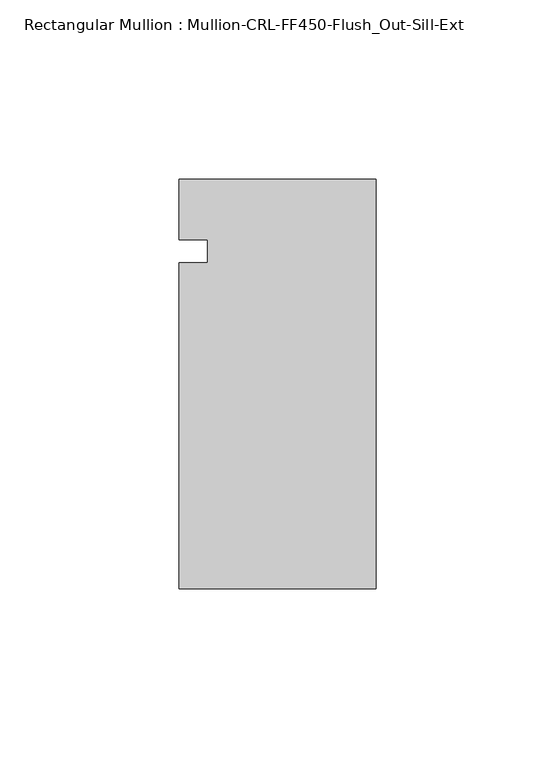
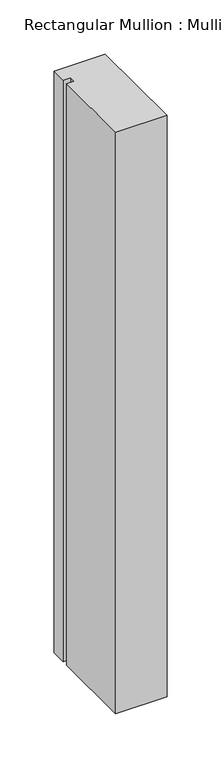
"""IFC4 building model written with IfcOpenShell, lengths in millimetres: member geometry, Rectangular Mullion : Mullion-CRL-FF450-Flush_Out-Sill-Ext."""

from ifc_helpers import new_model, si_unit, frame, origin, place, context, project, spatial, polyline, outline, extrude, source, transform, mapped, element, save


def rectangular_mullion_mullion_crl_ff450_flush_out_sill_ext_ea6e4730(model_context):
    return source(origin(), model_context, "Body", "SweptSolid", [
        extrude(outline(polyline([(-54.9910181, -94.1461601), (-54.9910181, -3.1555912), (-47.0535181, -3.1555912), (-47.0535181, 3.1944088), (-54.9910181, 3.1944088), (-54.9910181, 20.160815), (0.0, 20.160815), (0.0, -94.1461601), (-54.9910181, -94.1461601)])), frame((0.0, 0.0, -657.2249599), z_axis=(0.0, 0.0, 1.0), x_axis=(1.0, 0.0, 0.0)), (0.0, 0.0, 1.0), 657.2249599),
    ])


if __name__ == "__main__":
    model = new_model("IFC4")
    model_context = context("Model", 3, world=origin())
    ifc_project = project(units=[si_unit("LENGTHUNIT", "METRE", prefix="MILLI")], contexts=[model_context])
    site = spatial("IfcSite", under=ifc_project)
    building = spatial("IfcBuilding", under=site)
    placement = place(None, origin())
    rectangular_mullion_mullion_crl_ff450_flush_out_sill_ext_shape = rectangular_mullion_mullion_crl_ff450_flush_out_sill_ext_ea6e4730(model_context)
    element("IfcMember", 1, ObjectType="Rectangular Mullion : Mullion-CRL-FF450-Flush_Out-Sill-Ext", at=placement, inside=building, context=model_context, shape_type="MappedRepresentation", body=[
        mapped(rectangular_mullion_mullion_crl_ff450_flush_out_sill_ext_shape, transform((0.0, 0.0, 0.0), x_axis=(1.0, 0.0, 0.0), y_axis=(0.0, 1.0, 0.0), z_axis=(0.0, 0.0, 1.0))),
    ])
    save(model, "model.ifc")
